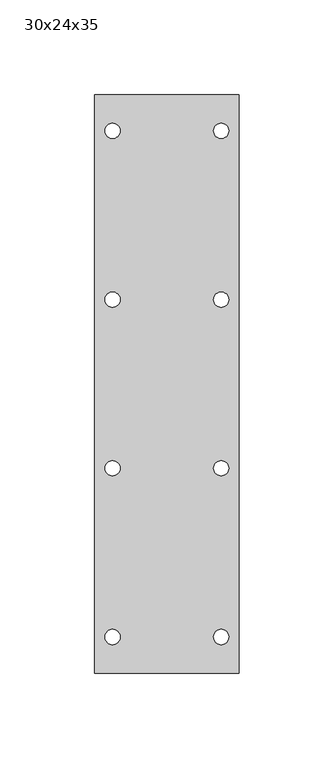
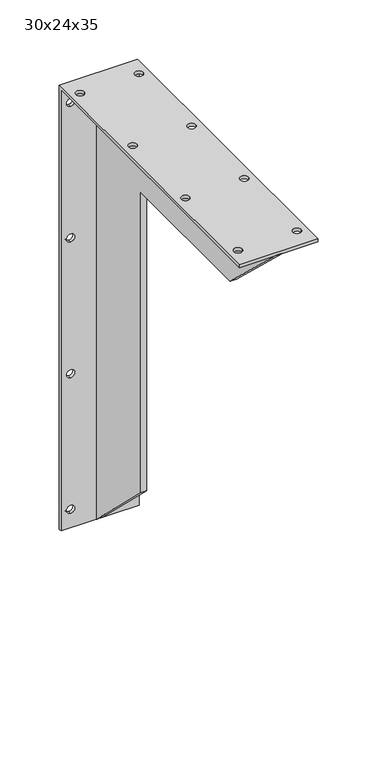
"""IFC4 building model written with IfcOpenShell, lengths in millimetres: furniture geometry, 30x24x35."""

from ifc_helpers import new_model, si_unit, frame, origin, place, context, project, spatial, polyline, circle_curve, outline, extrude, source, transform, mapped, element, save
from ifc_brep_helpers import plane_surface, revolved_surface, advanced_brep


def furniture_30x24x35_4b781696(model_context):
    return source(origin(), model_context, "Body", "SolidModel", [
        extrude(outline(polyline([(-76.2124315, 220.6910271), (-76.2124315, 530.8), (-228.4972383, 530.8), (-305.2124315, 603.6), (-3.4124315, 603.6), (-3.4124315, 149.4), (-76.2124315, 220.6910271)])), frame((-335.9622951, 0.0, 0.0), z_axis=(1.0, 0.0, 0.0), x_axis=(0.0, 1.0, 0.0)), (0.0, 0.0, 1.0), 6.4),
        advanced_brep(
        [(-370.8622951, -0.4124315, 606.6), (-370.8622951, -0.4124315, 149.4), (-370.8622951, -3.4124315, 149.4), (-370.8622951, -3.4124315, 603.6), (-370.8622951, -305.2124315, 603.6), (-370.8622951, -305.2124315, 606.6), (-294.6622951, -0.4124315, 606.6), (-294.6622951, -305.2124315, 606.6), (-294.6622951, -305.2124315, 603.6), (-294.6622951, -3.4124315, 603.6), (-294.6622951, -3.4124315, 149.4), (-294.6622951, -0.4124315, 149.4), (-361.4622951, -0.4124315, 583.6), (-361.4622951, -0.4124315, 591.6), (-304.0622951, -0.4124315, 583.6), (-304.0622951, -0.4124315, 591.6), (-361.4622951, -0.4124315, 164.4), (-361.4622951, -0.4124315, 172.4), (-304.0622951, -0.4124315, 164.4), (-304.0622951, -0.4124315, 172.4), (-304.0622951, -0.4124315, 304.1333333), (-304.0622951, -0.4124315, 312.1333333), (-361.4622951, -0.4124315, 304.1333333), (-361.4622951, -0.4124315, 312.1333333), (-361.4622951, -0.4124315, 443.8666667), (-361.4622951, -0.4124315, 451.8666667), (-304.0622951, -0.4124315, 443.8666667), (-304.0622951, -0.4124315, 451.8666667), (-361.4622951, -3.4124315, 591.6), (-361.4622951, -3.4124315, 583.6), (-304.0622951, -3.4124315, 591.6), (-304.0622951, -3.4124315, 583.6), (-361.4622951, -3.4124315, 172.4), (-361.4622951, -3.4124315, 164.4), (-304.0622951, -3.4124315, 172.4), (-304.0622951, -3.4124315, 164.4), (-304.0622951, -3.4124315, 312.1333333), (-304.0622951, -3.4124315, 304.1333333), (-361.4622951, -3.4124315, 312.1333333), (-361.4622951, -3.4124315, 304.1333333), (-361.4622951, -3.4124315, 451.8666667), (-361.4622951, -3.4124315, 443.8666667), (-304.0622951, -3.4124315, 451.8666667), (-304.0622951, -3.4124315, 443.8666667), (-357.4622951, -286.2124315, 603.6), (-365.4622951, -286.2124315, 603.6), (-300.0622951, -286.2124315, 603.6), (-308.0622951, -286.2124315, 603.6), (-357.4622951, -197.2790981, 603.6), (-365.4622951, -197.2790981, 603.6), (-300.0622951, -197.2790981, 603.6), (-308.0622951, -197.2790981, 603.6), (-357.4622951, -108.3457648, 603.6), (-365.4622951, -108.3457648, 603.6), (-300.0622951, -108.3457648, 603.6), (-308.0622951, -108.3457648, 603.6), (-357.4622951, -19.4124315, 603.6), (-365.4622951, -19.4124315, 603.6), (-300.0622951, -19.4124315, 603.6), (-308.0622951, -19.4124315, 603.6), (-365.4622951, -286.2124315, 606.6), (-357.4622951, -286.2124315, 606.6), (-308.0622951, -286.2124315, 606.6), (-300.0622951, -286.2124315, 606.6), (-365.4622951, -197.2790981, 606.6), (-357.4622951, -197.2790981, 606.6), (-308.0622951, -197.2790981, 606.6), (-300.0622951, -197.2790981, 606.6), (-365.4622951, -108.3457648, 606.6), (-357.4622951, -108.3457648, 606.6), (-308.0622951, -108.3457648, 606.6), (-300.0622951, -108.3457648, 606.6), (-365.4622951, -19.4124315, 606.6), (-357.4622951, -19.4124315, 606.6), (-308.0622951, -19.4124315, 606.6), (-300.0622951, -19.4124315, 606.6)],
        [
            (0, 1),
            (1, 2),
            (2, 3),
            (3, 4),
            (4, 5),
            (5, 0),
            (6, 7),
            (7, 8),
            (8, 9),
            (9, 10),
            (10, 11),
            (11, 6),
            (0, 6),
            (11, 1),
            (12, 13, circle_curve(frame((-361.4622951, -0.4124315, 587.6), z_axis=(0.0, -1.0, 0.0), x_axis=(0.0, 0.0, 1.0)), 4.0)),
            (13, 12, circle_curve(frame((-361.4622951, -0.4124315, 587.6), z_axis=(0.0, -1.0, 0.0), x_axis=(0.0, 0.0, 1.0)), 4.0)),
            (14, 15, circle_curve(frame((-304.0622951, -0.4124315, 587.6), z_axis=(0.0, -1.0, 0.0), x_axis=(0.0, 0.0, 1.0)), 4.0)),
            (15, 14, circle_curve(frame((-304.0622951, -0.4124315, 587.6), z_axis=(0.0, -1.0, 0.0), x_axis=(0.0, 0.0, 1.0)), 4.0)),
            (16, 17, circle_curve(frame((-361.4622951, -0.4124315, 168.4), z_axis=(0.0, -1.0, 0.0), x_axis=(0.0, 0.0, 1.0)), 4.0)),
            (17, 16, circle_curve(frame((-361.4622951, -0.4124315, 168.4), z_axis=(0.0, -1.0, 0.0), x_axis=(0.0, 0.0, 1.0)), 4.0)),
            (18, 19, circle_curve(frame((-304.0622951, -0.4124315, 168.4), z_axis=(0.0, -1.0, 0.0), x_axis=(0.0, 0.0, 1.0)), 4.0)),
            (19, 18, circle_curve(frame((-304.0622951, -0.4124315, 168.4), z_axis=(0.0, -1.0, 0.0), x_axis=(0.0, 0.0, 1.0)), 4.0)),
            (20, 21, circle_curve(frame((-304.0622951, -0.4124315, 308.1333333), z_axis=(0.0, -1.0, 0.0), x_axis=(0.0, 0.0, 1.0)), 4.0)),
            (21, 20, circle_curve(frame((-304.0622951, -0.4124315, 308.1333333), z_axis=(0.0, -1.0, 0.0), x_axis=(0.0, 0.0, 1.0)), 4.0)),
            (22, 23, circle_curve(frame((-361.4622951, -0.4124315, 308.1333333), z_axis=(0.0, -1.0, 0.0), x_axis=(0.0, 0.0, 1.0)), 4.0)),
            (23, 22, circle_curve(frame((-361.4622951, -0.4124315, 308.1333333), z_axis=(0.0, -1.0, 0.0), x_axis=(0.0, 0.0, 1.0)), 4.0)),
            (24, 25, circle_curve(frame((-361.4622951, -0.4124315, 447.8666667), z_axis=(0.0, -1.0, 0.0), x_axis=(0.0, 0.0, 1.0)), 4.0)),
            (25, 24, circle_curve(frame((-361.4622951, -0.4124315, 447.8666667), z_axis=(0.0, -1.0, 0.0), x_axis=(0.0, 0.0, 1.0)), 4.0)),
            (26, 27, circle_curve(frame((-304.0622951, -0.4124315, 447.8666667), z_axis=(0.0, -1.0, 0.0), x_axis=(0.0, 0.0, 1.0)), 4.0)),
            (27, 26, circle_curve(frame((-304.0622951, -0.4124315, 447.8666667), z_axis=(0.0, -1.0, 0.0), x_axis=(0.0, 0.0, 1.0)), 4.0)),
            (10, 2),
            (9, 3),
            (28, 29, circle_curve(frame((-361.4622951, -3.4124315, 587.6), z_axis=(0.0, 1.0, 0.0), x_axis=(0.0, 0.0, 1.0)), 4.0)),
            (29, 28, circle_curve(frame((-361.4622951, -3.4124315, 587.6), z_axis=(0.0, 1.0, 0.0), x_axis=(0.0, 0.0, 1.0)), 4.0)),
            (30, 31, circle_curve(frame((-304.0622951, -3.4124315, 587.6), z_axis=(0.0, 1.0, 0.0), x_axis=(0.0, 0.0, 1.0)), 4.0)),
            (31, 30, circle_curve(frame((-304.0622951, -3.4124315, 587.6), z_axis=(0.0, 1.0, 0.0), x_axis=(0.0, 0.0, 1.0)), 4.0)),
            (32, 33, circle_curve(frame((-361.4622951, -3.4124315, 168.4), z_axis=(0.0, 1.0, 0.0), x_axis=(0.0, 0.0, 1.0)), 4.0)),
            (33, 32, circle_curve(frame((-361.4622951, -3.4124315, 168.4), z_axis=(0.0, 1.0, 0.0), x_axis=(0.0, 0.0, 1.0)), 4.0)),
            (34, 35, circle_curve(frame((-304.0622951, -3.4124315, 168.4), z_axis=(0.0, 1.0, 0.0), x_axis=(0.0, 0.0, 1.0)), 4.0)),
            (35, 34, circle_curve(frame((-304.0622951, -3.4124315, 168.4), z_axis=(0.0, 1.0, 0.0), x_axis=(0.0, 0.0, 1.0)), 4.0)),
            (36, 37, circle_curve(frame((-304.0622951, -3.4124315, 308.1333333), z_axis=(0.0, 1.0, 0.0), x_axis=(0.0, 0.0, 1.0)), 4.0)),
            (37, 36, circle_curve(frame((-304.0622951, -3.4124315, 308.1333333), z_axis=(0.0, 1.0, 0.0), x_axis=(0.0, 0.0, 1.0)), 4.0)),
            (38, 39, circle_curve(frame((-361.4622951, -3.4124315, 308.1333333), z_axis=(0.0, 1.0, 0.0), x_axis=(0.0, 0.0, 1.0)), 4.0)),
            (39, 38, circle_curve(frame((-361.4622951, -3.4124315, 308.1333333), z_axis=(0.0, 1.0, 0.0), x_axis=(0.0, 0.0, 1.0)), 4.0)),
            (40, 41, circle_curve(frame((-361.4622951, -3.4124315, 447.8666667), z_axis=(0.0, 1.0, 0.0), x_axis=(0.0, 0.0, 1.0)), 4.0)),
            (41, 40, circle_curve(frame((-361.4622951, -3.4124315, 447.8666667), z_axis=(0.0, 1.0, 0.0), x_axis=(0.0, 0.0, 1.0)), 4.0)),
            (42, 43, circle_curve(frame((-304.0622951, -3.4124315, 447.8666667), z_axis=(0.0, 1.0, 0.0), x_axis=(0.0, 0.0, 1.0)), 4.0)),
            (43, 42, circle_curve(frame((-304.0622951, -3.4124315, 447.8666667), z_axis=(0.0, 1.0, 0.0), x_axis=(0.0, 0.0, 1.0)), 4.0)),
            (8, 4),
            (44, 45, circle_curve(frame((-361.4622951, -286.2124315, 603.6), z_axis=(0.0, 0.0, 1.0), x_axis=(-1.0, 0.0, 0.0)), 4.0)),
            (45, 44, circle_curve(frame((-361.4622951, -286.2124315, 603.6), z_axis=(0.0, 0.0, 1.0), x_axis=(-1.0, 0.0, 0.0)), 4.0)),
            (46, 47, circle_curve(frame((-304.0622951, -286.2124315, 603.6), z_axis=(0.0, 0.0, 1.0), x_axis=(-1.0, 0.0, 0.0)), 4.0)),
            (47, 46, circle_curve(frame((-304.0622951, -286.2124315, 603.6), z_axis=(0.0, 0.0, 1.0), x_axis=(-1.0, 0.0, 0.0)), 4.0)),
            (48, 49, circle_curve(frame((-361.4622951, -197.2790981, 603.6), z_axis=(0.0, 0.0, 1.0), x_axis=(-1.0, 0.0, 0.0)), 4.0)),
            (49, 48, circle_curve(frame((-361.4622951, -197.2790981, 603.6), z_axis=(0.0, 0.0, 1.0), x_axis=(-1.0, 0.0, 0.0)), 4.0)),
            (50, 51, circle_curve(frame((-304.0622951, -197.2790981, 603.6), z_axis=(0.0, 0.0, 1.0), x_axis=(-1.0, 0.0, 0.0)), 4.0)),
            (51, 50, circle_curve(frame((-304.0622951, -197.2790981, 603.6), z_axis=(0.0, 0.0, 1.0), x_axis=(-1.0, 0.0, 0.0)), 4.0)),
            (52, 53, circle_curve(frame((-361.4622951, -108.3457648, 603.6), z_axis=(0.0, 0.0, 1.0), x_axis=(-1.0, 0.0, 0.0)), 4.0)),
            (53, 52, circle_curve(frame((-361.4622951, -108.3457648, 603.6), z_axis=(0.0, 0.0, 1.0), x_axis=(-1.0, 0.0, 0.0)), 4.0)),
            (54, 55, circle_curve(frame((-304.0622951, -108.3457648, 603.6), z_axis=(0.0, 0.0, 1.0), x_axis=(-1.0, 0.0, 0.0)), 4.0)),
            (55, 54, circle_curve(frame((-304.0622951, -108.3457648, 603.6), z_axis=(0.0, 0.0, 1.0), x_axis=(-1.0, 0.0, 0.0)), 4.0)),
            (56, 57, circle_curve(frame((-361.4622951, -19.4124315, 603.6), z_axis=(0.0, 0.0, 1.0), x_axis=(-1.0, 0.0, 0.0)), 4.0)),
            (57, 56, circle_curve(frame((-361.4622951, -19.4124315, 603.6), z_axis=(0.0, 0.0, 1.0), x_axis=(-1.0, 0.0, 0.0)), 4.0)),
            (58, 59, circle_curve(frame((-304.0622951, -19.4124315, 603.6), z_axis=(0.0, 0.0, 1.0), x_axis=(-1.0, 0.0, 0.0)), 4.0)),
            (59, 58, circle_curve(frame((-304.0622951, -19.4124315, 603.6), z_axis=(0.0, 0.0, 1.0), x_axis=(-1.0, 0.0, 0.0)), 4.0)),
            (7, 5),
            (60, 61, circle_curve(frame((-361.4622951, -286.2124315, 606.6), z_axis=(0.0, 0.0, -1.0), x_axis=(-1.0, 0.0, 0.0)), 4.0)),
            (61, 60, circle_curve(frame((-361.4622951, -286.2124315, 606.6), z_axis=(0.0, 0.0, -1.0), x_axis=(-1.0, 0.0, 0.0)), 4.0)),
            (62, 63, circle_curve(frame((-304.0622951, -286.2124315, 606.6), z_axis=(0.0, 0.0, -1.0), x_axis=(-1.0, 0.0, 0.0)), 4.0)),
            (63, 62, circle_curve(frame((-304.0622951, -286.2124315, 606.6), z_axis=(0.0, 0.0, -1.0), x_axis=(-1.0, 0.0, 0.0)), 4.0)),
            (64, 65, circle_curve(frame((-361.4622951, -197.2790981, 606.6), z_axis=(0.0, 0.0, -1.0), x_axis=(-1.0, 0.0, 0.0)), 4.0)),
            (65, 64, circle_curve(frame((-361.4622951, -197.2790981, 606.6), z_axis=(0.0, 0.0, -1.0), x_axis=(-1.0, 0.0, 0.0)), 4.0)),
            (66, 67, circle_curve(frame((-304.0622951, -197.2790981, 606.6), z_axis=(0.0, 0.0, -1.0), x_axis=(-1.0, 0.0, 0.0)), 4.0)),
            (67, 66, circle_curve(frame((-304.0622951, -197.2790981, 606.6), z_axis=(0.0, 0.0, -1.0), x_axis=(-1.0, 0.0, 0.0)), 4.0)),
            (68, 69, circle_curve(frame((-361.4622951, -108.3457648, 606.6), z_axis=(0.0, 0.0, -1.0), x_axis=(-1.0, 0.0, 0.0)), 4.0)),
            (69, 68, circle_curve(frame((-361.4622951, -108.3457648, 606.6), z_axis=(0.0, 0.0, -1.0), x_axis=(-1.0, 0.0, 0.0)), 4.0)),
            (70, 71, circle_curve(frame((-304.0622951, -108.3457648, 606.6), z_axis=(0.0, 0.0, -1.0), x_axis=(-1.0, 0.0, 0.0)), 4.0)),
            (71, 70, circle_curve(frame((-304.0622951, -108.3457648, 606.6), z_axis=(0.0, 0.0, -1.0), x_axis=(-1.0, 0.0, 0.0)), 4.0)),
            (72, 73, circle_curve(frame((-361.4622951, -19.4124315, 606.6), z_axis=(0.0, 0.0, -1.0), x_axis=(-1.0, 0.0, 0.0)), 4.0)),
            (73, 72, circle_curve(frame((-361.4622951, -19.4124315, 606.6), z_axis=(0.0, 0.0, -1.0), x_axis=(-1.0, 0.0, 0.0)), 4.0)),
            (74, 75, circle_curve(frame((-304.0622951, -19.4124315, 606.6), z_axis=(0.0, 0.0, -1.0), x_axis=(-1.0, 0.0, 0.0)), 4.0)),
            (75, 74, circle_curve(frame((-304.0622951, -19.4124315, 606.6), z_axis=(0.0, 0.0, -1.0), x_axis=(-1.0, 0.0, 0.0)), 4.0)),
            (28, 13),
            (12, 29),
            (30, 15),
            (14, 31),
            (32, 17),
            (16, 33),
            (34, 19),
            (18, 35),
            (36, 21),
            (20, 37),
            (38, 23),
            (22, 39),
            (40, 25),
            (24, 41),
            (42, 27),
            (26, 43),
            (60, 45),
            (44, 61),
            (62, 47),
            (46, 63),
            (64, 49),
            (48, 65),
            (66, 51),
            (50, 67),
            (68, 53),
            (52, 69),
            (70, 55),
            (54, 71),
            (72, 57),
            (56, 73),
            (74, 59),
            (58, 75),
        ],
        [
            plane_surface(frame((-370.8622951, -0.4124315, 149.4), z_axis=(-1.0, 0.0, 0.0), x_axis=(0.0, 0.0, -1.0))),
            plane_surface(frame((-294.6622951, -0.4124315, 149.4), z_axis=(1.0, 0.0, 0.0), x_axis=(0.0, 0.0, 1.0))),
            plane_surface(frame((-370.8622951, -0.4124315, 606.6), z_axis=(0.0, 1.0, 0.0), x_axis=(1.0, 0.0, 0.0))),
            plane_surface(frame((-370.8622951, -0.4124315, 149.4), z_axis=(0.0, 0.0, -1.0), x_axis=(1.0, 0.0, 0.0))),
            plane_surface(frame((-370.8622951, -3.4124315, 149.4), z_axis=(0.0, -1.0, 0.0), x_axis=(1.0, 0.0, 0.0))),
            plane_surface(frame((-370.8622951, -3.4124315, 603.6), z_axis=(0.0, 0.0, -1.0), x_axis=(1.0, 0.0, 0.0))),
            plane_surface(frame((-370.8622951, -305.2124315, 603.6), z_axis=(0.0, -1.0, 0.0), x_axis=(1.0, 0.0, 0.0))),
            plane_surface(frame((-370.8622951, -305.2124315, 606.6), z_axis=(0.0, 0.0, 1.0), x_axis=(1.0, 0.0, 0.0))),
            revolved_surface(polyline([(-361.4622951, -3.4124315, 591.6), (-361.4622951, -0.4124315, 591.6)]), (-361.4622951, -0.4124315, 587.6), (0.0, -1.0, 0.0)),
            revolved_surface(polyline([(-304.0622951, -3.4124315, 591.6), (-304.0622951, -0.41243149999999984, 591.6)]), (-304.0622951, -3.4124315, 587.6), (0.0, -1.0, 0.0)),
            revolved_surface(polyline([(-361.4622951, -3.4124315, 172.4), (-361.4622951, -0.41243149999999984, 172.4)]), (-361.4622951, -3.4124315, 168.4), (0.0, -1.0, 0.0)),
            revolved_surface(polyline([(-304.0622951, -3.4124315, 172.4), (-304.0622951, -0.41243149999999984, 172.4)]), (-304.0622951, -3.4124315, 168.4), (0.0, -1.0, 0.0)),
            revolved_surface(polyline([(-304.0622951, -3.4124315, 312.1333333), (-304.0622951, -0.41243149999999984, 312.1333333)]), (-304.0622951, -3.4124315, 308.1333333), (0.0, -1.0, 0.0)),
            revolved_surface(polyline([(-361.4622951, -3.4124315, 312.1333333), (-361.4622951, -0.41243149999999984, 312.1333333)]), (-361.4622951, -3.4124315, 308.1333333), (0.0, -1.0, 0.0)),
            revolved_surface(polyline([(-361.4622951, -3.4124315, 451.8666667), (-361.4622951, -0.41243149999999984, 451.8666667)]), (-361.4622951, -3.4124315, 447.8666667), (0.0, -1.0, 0.0)),
            revolved_surface(polyline([(-304.0622951, -3.4124315, 451.8666667), (-304.0622951, -0.41243149999999984, 451.8666667)]), (-304.0622951, -3.4124315, 447.8666667), (0.0, -1.0, 0.0)),
            revolved_surface(polyline([(-365.4622951, -286.2124315, 606.6), (-365.4622951, -286.2124315, 603.6)]), (-361.4622951, -286.2124315, 603.6), (0.0, 0.0, 1.0)),
            revolved_surface(polyline([(-308.0622951, -286.2124315, 606.6), (-308.0622951, -286.2124315, 603.6)]), (-304.0622951, -286.2124315, 606.6), (0.0, 0.0, 1.0)),
            revolved_surface(polyline([(-365.4622951, -197.2790981, 606.6), (-365.4622951, -197.2790981, 603.6)]), (-361.4622951, -197.2790981, 606.6), (0.0, 0.0, 1.0)),
            revolved_surface(polyline([(-308.0622951, -197.2790981, 606.6), (-308.0622951, -197.2790981, 603.6)]), (-304.0622951, -197.2790981, 606.6), (0.0, 0.0, 1.0)),
            revolved_surface(polyline([(-365.4622951, -108.3457648, 606.6), (-365.4622951, -108.3457648, 603.6)]), (-361.4622951, -108.3457648, 606.6), (0.0, 0.0, 1.0)),
            revolved_surface(polyline([(-308.0622951, -108.3457648, 606.6), (-308.0622951, -108.3457648, 603.6)]), (-304.0622951, -108.3457648, 606.6), (0.0, 0.0, 1.0)),
            revolved_surface(polyline([(-365.4622951, -19.4124315, 606.6), (-365.4622951, -19.4124315, 603.6)]), (-361.4622951, -19.4124315, 606.6), (0.0, 0.0, 1.0)),
            revolved_surface(polyline([(-308.0622951, -19.4124315, 606.6), (-308.0622951, -19.4124315, 603.6)]), (-304.0622951, -19.4124315, 606.6), (0.0, 0.0, 1.0)),
        ],
        [
            (0, [[1, 2, 3, 4, 5, 6]]),
            (1, [[7, 8, 9, 10, 11, 12]]),
            (2, [[-1, 13, -12, 14], [15, 16], [17, 18], [19, 20], [21, 22], [23, 24], [25, 26], [27, 28], [29, 30]]),
            (3, [[-2, -14, -11, 31]]),
            (4, [[-3, -31, -10, 32], [33, 34], [35, 36], [37, 38], [39, 40], [41, 42], [43, 44], [45, 46], [47, 48]]),
            (5, [[-4, -32, -9, 49], [50, 51], [52, 53], [54, 55], [56, 57], [58, 59], [60, 61], [62, 63], [64, 65]]),
            (6, [[-5, -49, -8, 66]]),
            (7, [[-6, -66, -7, -13], [67, 68], [69, 70], [71, 72], [73, 74], [75, 76], [77, 78], [79, 80], [81, 82]]),
            (8, [[83, -15, 84, -33]]),
            (8, [[-83, -34, -84, -16]]),
            (9, [[85, -17, 86, -35]]),
            (9, [[-85, -36, -86, -18]]),
            (10, [[87, -19, 88, -37]]),
            (10, [[-87, -38, -88, -20]]),
            (11, [[89, -21, 90, -39]]),
            (11, [[-89, -40, -90, -22]]),
            (12, [[91, -23, 92, -41]]),
            (12, [[-91, -42, -92, -24]]),
            (13, [[93, -25, 94, -43]]),
            (13, [[-93, -44, -94, -26]]),
            (14, [[95, -27, 96, -45]]),
            (14, [[-95, -46, -96, -28]]),
            (15, [[97, -29, 98, -47]]),
            (15, [[-97, -48, -98, -30]]),
            (16, [[99, -50, 100, -67]]),
            (16, [[-99, -68, -100, -51]]),
            (17, [[101, -52, 102, -69]]),
            (17, [[-101, -70, -102, -53]]),
            (18, [[103, -54, 104, -71]]),
            (18, [[-103, -72, -104, -55]]),
            (19, [[105, -56, 106, -73]]),
            (19, [[-105, -74, -106, -57]]),
            (20, [[107, -58, 108, -75]]),
            (20, [[-107, -76, -108, -59]]),
            (21, [[109, -60, 110, -77]]),
            (21, [[-109, -78, -110, -61]]),
            (22, [[111, -62, 112, -79]]),
            (22, [[-111, -80, -112, -63]]),
            (23, [[113, -64, 114, -81]]),
            (23, [[-113, -82, -114, -65]]),
        ],
    ),
    ])


if __name__ == "__main__":
    model = new_model("IFC4")
    model_context = context("Model", 3, world=origin())
    ifc_project = project(units=[si_unit("LENGTHUNIT", "METRE", prefix="MILLI")], contexts=[model_context])
    site = spatial("IfcSite", under=ifc_project)
    building = spatial("IfcBuilding", under=site)
    placement = place(None, origin())
    furniture_30x24x35_shape = furniture_30x24x35_4b781696(model_context)
    element("IfcFurniture", 1, ObjectType="30x24x35", at=placement, inside=building, context=model_context, shape_type="MappedRepresentation", body=[
        mapped(furniture_30x24x35_shape, transform((0.0, 0.0, 0.0), x_axis=(1.0, 0.0, 0.0), y_axis=(0.0, 1.0, 0.0), z_axis=(0.0, 0.0, 1.0))),
    ])
    save(model, "model.ifc")
